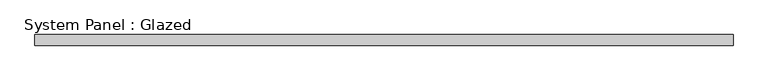
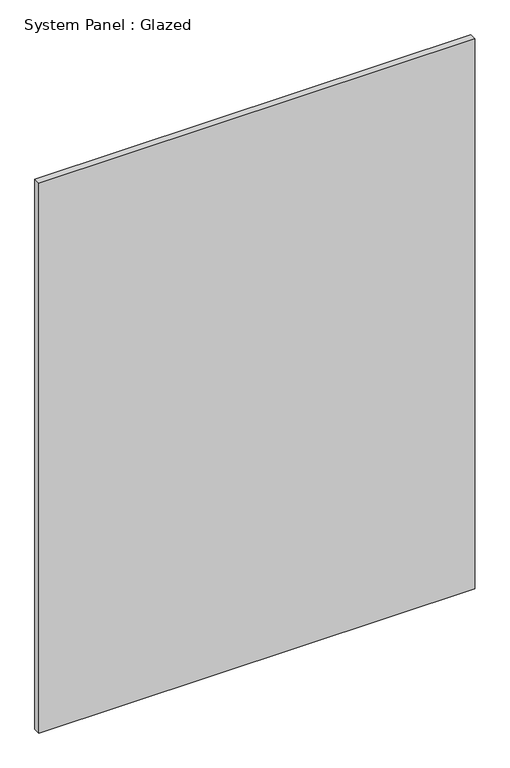
"""IFC4 building model written with IfcOpenShell, lengths in millimetres: plate geometry, System Panel : Glazed."""

from ifc_helpers import new_model, si_unit, origin, origin_with_axes, place, context, project, spatial, polyline, outline, extrude, source, transform, mapped, element, save


def system_panel_glazed_e21ab72e(model_context):
    return source(origin(), model_context, "Body", "SweptSolid", [
        extrude(outline(polyline([(787.5, 24.5), (-787.5, 24.5), (-787.5, 49.5), (787.5, 49.5), (787.5, 24.5)])), origin_with_axes(), (0.0, 0.0, 1.0), 2100.0),
    ])


if __name__ == "__main__":
    model = new_model("IFC4")
    model_context = context("Model", 3, world=origin())
    ifc_project = project(units=[si_unit("LENGTHUNIT", "METRE", prefix="MILLI")], contexts=[model_context])
    site = spatial("IfcSite", under=ifc_project)
    building = spatial("IfcBuilding", under=site)
    placement = place(None, origin())
    system_panel_glazed_shape = system_panel_glazed_e21ab72e(model_context)
    element("IfcPlate", 1, ObjectType="System Panel : Glazed", at=placement, inside=building, context=model_context, shape_type="MappedRepresentation", body=[
        mapped(system_panel_glazed_shape, transform((0.0, 0.0, 0.0), x_axis=(1.0, 0.0, 0.0), y_axis=(0.0, 1.0, 0.0), z_axis=(0.0, 0.0, 1.0))),
    ])
    save(model, "model.ifc")
